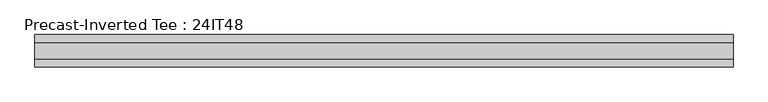
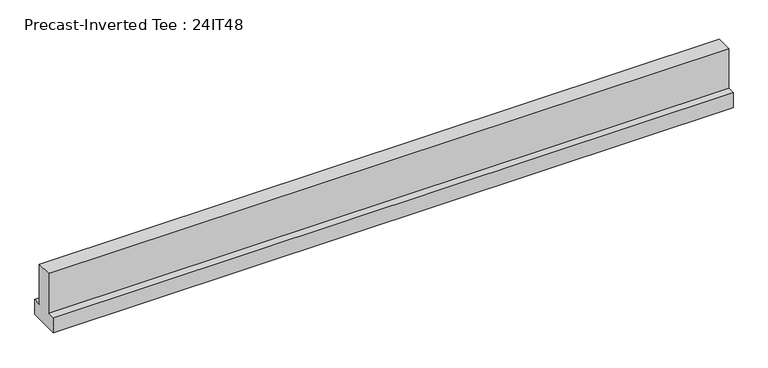
"""IFC4 building model written with IfcOpenShell, lengths in millimetres: beam geometry, Precast-Inverted Tee : 24IT48."""

import ifcopenshell
import ifcopenshell.guid

model = None  # the IFC model being written
_history = None  # IfcOwnerHistory: only IFC2X3 demands one
_inside = {}  # id of a spatial element -> (the spatial element, [elements in it])
_under = {}  # id of a project, library or spatial element -> (it, [spatial elements below it])
_declared = {}  # id of a project -> (the project, [libraries it declares])
_typed = {}  # id of a type object -> (the type object, [elements of that type])
_made_of = {}  # id of a material, layer set ... -> (it, [elements and type objects made of it])


def new_model(schema):
    """Start an empty IFC model of exactly this schema.

    Asked for "IFC4X3", IfcOpenShell would pick the latest addendum, in which some entities
    have other attributes; the version numbers below select the first issue.
    IFC2X3 requires an IfcOwnerHistory on every rooted entity: one is made here for all.
    """
    global model, _history
    if schema == "IFC4X3":
        model = ifcopenshell.file(schema_version=(4, 3, 0, 0))
    else:
        model = ifcopenshell.file(schema=schema)
    _inside.clear()
    _under.clear()
    _declared.clear()
    _typed.clear()
    _made_of.clear()
    _history = None
    if model.schema == "IFC2X3":
        org = make("IfcOrganization", Name="unknown")
        user = make(
            "IfcPersonAndOrganization",
            ThePerson=make("IfcPerson", FamilyName="unknown"),
            TheOrganization=org,
        )
        app = make(
            "IfcApplication",
            ApplicationDeveloper=org,
            Version="unknown",
            ApplicationFullName="unknown",
            ApplicationIdentifier="unknown",
        )
        _history = make(
            "IfcOwnerHistory",
            OwningUser=user,
            OwningApplication=app,
            ChangeAction="ADDED",
            CreationDate=0,
        )
    return model


def make(cls, **values):
    """One entity of the class cls with the attributes given. An attribute that is None is left unset."""
    return model.create_entity(
        cls, **{name: value for name, value in values.items() if value is not None}
    )


def rooted(cls, **values):
    """An entity with a GlobalId (a new one), such as an element, a storey or a relation."""
    return make(cls, GlobalId=ifcopenshell.guid.new(), OwnerHistory=_history, **values)


def si_unit(unit_type, name, prefix=None):
    """IfcSIUnit, for example si_unit("LENGTHUNIT", "METRE", prefix="MILLI")."""
    return make("IfcSIUnit", UnitType=unit_type, Prefix=prefix, Name=name)


def assignment(units):
    """IfcUnitAssignment: the units of a project."""
    return None if units is None else make("IfcUnitAssignment", Units=units)


def point(xyz):
    """IfcCartesianPoint."""
    return None if xyz is None else make("IfcCartesianPoint", Coordinates=xyz)


def direction(xyz):
    """IfcDirection."""
    return None if xyz is None else make("IfcDirection", DirectionRatios=xyz)


def frame(location, z_axis=None, x_axis=None):
    """IfcAxis2Placement3D, a coordinate frame: its origin and axes. An axis left out is left unset."""
    return make(
        "IfcAxis2Placement3D",
        Location=point(location),
        Axis=direction(z_axis),
        RefDirection=direction(x_axis),
    )


def origin():
    """The frame at (0, 0, 0) with its axes left unset."""
    return frame((0.0, 0.0, 0.0))


def place(relative_to, where):
    """IfcLocalPlacement: puts the frame where relative to a parent placement (None: the world)."""
    return make(
        "IfcLocalPlacement", PlacementRelTo=relative_to, RelativePlacement=where
    )


def context(
    kind, dimensions, precision=None, world=None, true_north=None, identifier=None
):
    """IfcGeometricRepresentationContext, for example the 3D "Model" context."""
    return make(
        "IfcGeometricRepresentationContext",
        ContextIdentifier=identifier,
        ContextType=kind,
        CoordinateSpaceDimension=dimensions,
        Precision=precision,
        WorldCoordinateSystem=world,
        TrueNorth=true_north,
    )


def project(units=None, contexts=None):
    """IfcProject with its units and contexts."""
    return rooted(
        "IfcProject",
        Name="project",
        RepresentationContexts=contexts,
        UnitsInContext=assignment(units),
    )


def spatial(cls, under=None, at=None, **own):
    """A site, building, storey or space (cls), placed at a placement, below another one or the project."""
    s = rooted(cls, ObjectPlacement=at, **own)
    if under is not None:
        _under.setdefault(under.id(), (under, []))[1].append(s)
    return s


def polyline(points):
    """IfcPolyline through the points."""
    return make("IfcPolyline", Points=[point(p) for p in points])


def outline(outer, holes=None, kind="AREA"):
    """IfcArbitraryClosedProfileDef: a profile drawn as a closed curve; with holes, ...WithVoids."""
    if holes is None:
        return make("IfcArbitraryClosedProfileDef", ProfileType=kind, OuterCurve=outer)
    return make(
        "IfcArbitraryProfileDefWithVoids",
        ProfileType=kind,
        OuterCurve=outer,
        InnerCurves=holes,
    )


def extrude(swept, where, along, depth):
    """IfcExtrudedAreaSolid: the profile swept, set in the frame where, extruded along a direction by depth."""
    return make(
        "IfcExtrudedAreaSolid",
        SweptArea=swept,
        Position=where,
        ExtrudedDirection=direction(along),
        Depth=depth,
    )


def shape(context_of_items, identifier, shape_type, items):
    """IfcShapeRepresentation: the items that make up one representation, for example the "Body"."""
    return make(
        "IfcShapeRepresentation",
        ContextOfItems=context_of_items,
        RepresentationIdentifier=identifier,
        RepresentationType=shape_type,
        Items=items,
    )


def source(mapping_origin, context_of_items, identifier, shape_type, items):
    """IfcRepresentationMap: a shape defined once, which mapped items show again and again."""
    return make(
        "IfcRepresentationMap",
        MappingOrigin=mapping_origin,
        MappedRepresentation=shape(context_of_items, identifier, shape_type, items),
    )


def transform(
    local_origin,
    x_axis=None,
    y_axis=None,
    z_axis=None,
    scale=None,
    scale2=None,
    scale3=None,
    uniform=True,
):
    """IfcCartesianTransformationOperator3D, or its non-uniform kind. x_axis, y_axis, z_axis: its Axis1, 2, 3."""
    if uniform:
        return make(
            "IfcCartesianTransformationOperator3D",
            Axis1=direction(x_axis),
            Axis2=direction(y_axis),
            LocalOrigin=point(local_origin),
            Scale=scale,
            Axis3=direction(z_axis),
        )
    return make(
        "IfcCartesianTransformationOperator3DnonUniform",
        Axis1=direction(x_axis),
        Axis2=direction(y_axis),
        LocalOrigin=point(local_origin),
        Scale=scale,
        Axis3=direction(z_axis),
        Scale2=scale2,
        Scale3=scale3,
    )


def mapped(mapping_source, mapping_target):
    """IfcMappedItem: shows the shape of a source again, moved by a transform."""
    return make(
        "IfcMappedItem", MappingSource=mapping_source, MappingTarget=mapping_target
    )


def made_of(thing, what):
    """Note that an element or type object is made of a material, layer set ...; save() writes the relation."""
    if what is not None:
        _made_of.setdefault(what.id(), (what, []))[1].append(thing)
    return thing


def element(
    cls,
    number,
    at=None,
    inside=None,
    cuts=None,
    type_object=None,
    material=None,
    context=None,
    identifier="Body",
    shape_type=None,
    held_by="IfcProductDefinitionShape",
    body=None,
    shapes=None,
    **own,
):
    """One element of the class cls, such as IfcWall. Its Tag is "e" and its number.

    at: its placement. inside: the storey or other place that contains it. cuts: it is an
    opening in that element (IfcRelVoidsElement). A single representation is given by context,
    identifier, shape_type and body (its items); several are given by shapes. held_by: the class
    of the entity that holds the representations. save() writes the other relations.
    """
    e = rooted(cls, Tag="e%d" % number, ObjectPlacement=at, **own)
    if body is not None:
        shapes = [shape(context, identifier, shape_type, body)]
    if shapes is not None:
        e.Representation = make(held_by, Representations=shapes)
    if inside is not None:
        _inside.setdefault(inside.id(), (inside, []))[1].append(e)
    if cuts is not None:
        rooted(
            "IfcRelVoidsElement", RelatingBuildingElement=cuts, RelatedOpeningElement=e
        )
    if type_object is not None:
        _typed.setdefault(type_object.id(), (type_object, []))[1].append(e)
    return made_of(e, material)


def aggregate(whole, parts):
    """IfcRelAggregates: a whole, such as a stair, and the parts it consists of."""
    return rooted("IfcRelAggregates", RelatingObject=whole, RelatedObjects=parts)


def save(model, path):
    """Write the relations noted so far, then the file.

    IfcRelAggregates (storeys below a building ...), IfcRelContainedInSpatialStructure (elements
    in a storey), IfcRelDefinesByType, IfcRelAssociatesMaterial and IfcRelDeclares: one each for
    every whole, place, type object, material and project.
    """
    for whole, parts in _under.values():
        aggregate(whole, parts)
    for where, things in _inside.values():
        rooted(
            "IfcRelContainedInSpatialStructure",
            RelatedElements=things,
            RelatingStructure=where,
        )
    for kind, things in _typed.values():
        rooted("IfcRelDefinesByType", RelatedObjects=things, RelatingType=kind)
    for what, things in _made_of.values():
        rooted("IfcRelAssociatesMaterial", RelatedObjects=things, RelatingMaterial=what)
    for by, libraries in _declared.values():
        rooted("IfcRelDeclares", RelatingContext=by, RelatedDefinitions=libraries)
    model.write(path)


def precast_inverted_tee_24it48_1de6f705(model_context):
    return source(origin(), model_context, "Body", "SweptSolid", [
        extrude(outline(polyline([(304.8, -558.8), (-304.8, -558.8), (-304.8, -254.0), (-152.4, -254.0), (-152.4, 558.8), (152.4, 558.8), (152.4, -254.0), (304.8, -254.0), (304.8, -558.8)])), frame((-7556.5, 0.0, 0.0), z_axis=(1.0, 0.0, 0.0), x_axis=(0.0, 1.0, 0.0)), (0.0, 0.0, 1.0), 13093.7),
    ])


if __name__ == "__main__":
    model = new_model("IFC4")
    model_context = context("Model", 3, world=origin())
    ifc_project = project(units=[si_unit("LENGTHUNIT", "METRE", prefix="MILLI")], contexts=[model_context])
    site = spatial("IfcSite", under=ifc_project)
    building = spatial("IfcBuilding", under=site)
    placement = place(None, origin())
    precast_inverted_tee_24it48_shape = precast_inverted_tee_24it48_1de6f705(model_context)
    element("IfcBeam", 1, ObjectType="Precast-Inverted Tee : 24IT48", at=placement, inside=building, context=model_context, shape_type="MappedRepresentation", body=[
        mapped(precast_inverted_tee_24it48_shape, transform((0.0, 0.0, 0.0), x_axis=(1.0, 0.0, 0.0), y_axis=(0.0, 1.0, 0.0), z_axis=(0.0, 0.0, 1.0))),
    ])
    save(model, "model.ifc")
